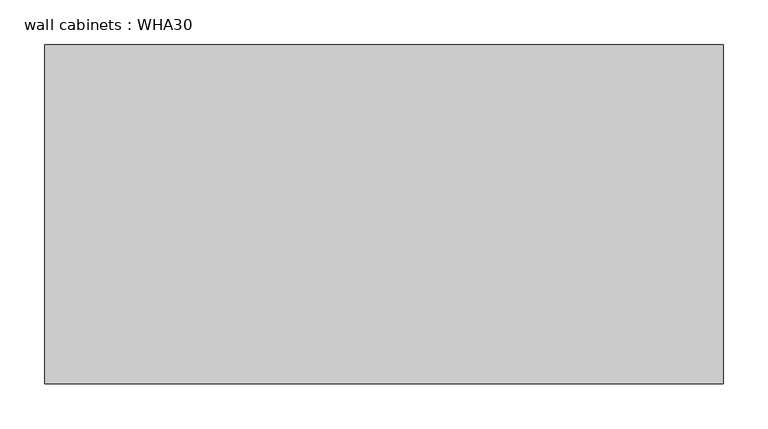
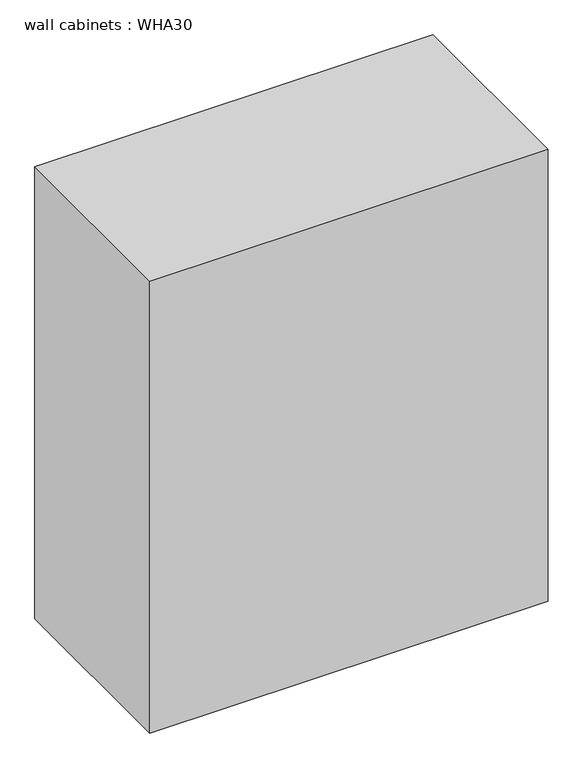
"""IFC4 building model written with IfcOpenShell, lengths in millimetres: furniture geometry, wall cabinets : WHA30."""

from ifc_helpers import new_model, si_unit, frame, origin, place, context, project, spatial, polyline, outline, extrude, source, transform, mapped, element, save


def wall_cabinets_wha30_f420f1a6(model_context):
    return source(origin(), model_context, "Body", "SweptSolid", [
        extrude(outline(polyline([(-286.0622951, 228.6), (-286.0622951, -152.4), (-1048.0622951, -152.4), (-1048.0622951, 228.6), (-286.0622951, 228.6)])), frame((0.0, 0.0, 1397.0), z_axis=(0.0, 0.0, 1.0), x_axis=(1.0, 0.0, 0.0)), (0.0, 0.0, 1.0), 914.4),
    ])


if __name__ == "__main__":
    model = new_model("IFC4")
    model_context = context("Model", 3, world=origin())
    ifc_project = project(units=[si_unit("LENGTHUNIT", "METRE", prefix="MILLI")], contexts=[model_context])
    site = spatial("IfcSite", under=ifc_project)
    building = spatial("IfcBuilding", under=site)
    placement = place(None, origin())
    wall_cabinets_wha30_shape = wall_cabinets_wha30_f420f1a6(model_context)
    element("IfcFurniture", 1, ObjectType="wall cabinets : WHA30", at=placement, inside=building, context=model_context, shape_type="MappedRepresentation", body=[
        mapped(wall_cabinets_wha30_shape, transform((0.0, 0.0, 0.0), x_axis=(1.0, 0.0, 0.0), y_axis=(0.0, 1.0, 0.0), z_axis=(0.0, 0.0, 1.0))),
    ])
    save(model, "model.ifc")
